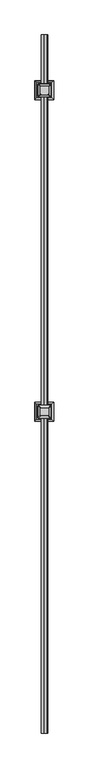
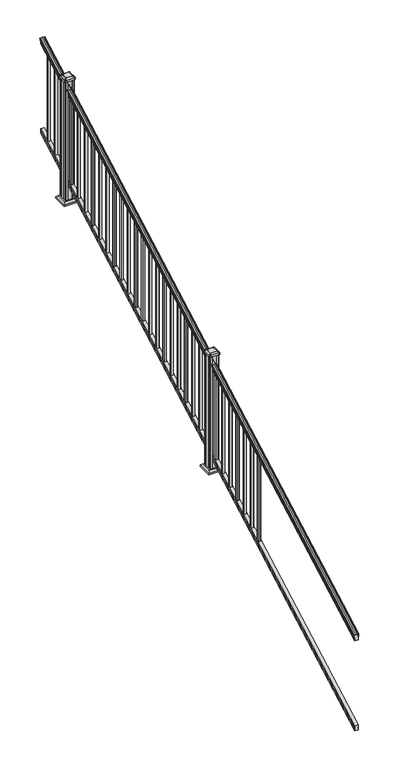
"""IFC4 building model written with IfcOpenShell, lengths in millimetres: railing geometry."""

from ifc_helpers import new_model, si_unit, point, frame, frame_2d, origin, place, context, project, spatial, polyline, circle_curve, ellipse_curve, trimmed, segment, composite_curve, outline, extrude, faceted_brep, source, transform, mapped, element, save
from ifc_brep_helpers import plane_surface, cylinder_surface, revolved_surface, extruded_surface, advanced_brep


def railing_674a30ea(model_context):
    return source(origin(), model_context, "Body", "SolidModel", [
        advanced_brep(
        [(8986.6270946, 1778.9805319, 1111.1933), (8986.6270946, 1778.9805319, 1113.3531886), (8987.7572809, 1778.9805319, 1115.140347), (8987.7572809, 1778.9805319, 1123.3974153), (8987.1080245, 1778.9805319, 1126.1811654), (8989.6080245, 1778.9805319, 1131.1346527), (8991.017367, 1778.9805319, 1133.0560334), (8991.419266, 1778.9805319, 1134.3198045), (8991.4192659, 1778.9805319, 1135.8530343), (8989.8658186, 1778.9805319, 1137.6301141), (8969.1942659, 1778.9805319, 1137.6301141), (8948.5227131, 1778.9805319, 1137.6301141), (8946.9692659, 1778.9805319, 1135.8530343), (8946.9692659, 1778.9805319, 1134.3198045), (8947.3711648, 1778.9805319, 1133.0560334), (8948.7805072, 1778.9805319, 1131.1346527), (8951.2805072, 1778.9805319, 1126.1811654), (8950.6312508, 1778.9805319, 1123.3974153), (8950.6312508, 1778.9805319, 1115.140347), (8951.7614371, 1778.9805319, 1113.3531886), (8951.7614371, 1778.9805319, 1111.1933), (8954.3352659, 1778.9805319, 1111.1933), (8954.3352659, 1778.9805319, 1099.182302), (8953.3192659, 1778.9805319, 1098.0200397), (8953.3192659, 1778.9805319, 1083.7333333), (8985.0692659, 1778.9805319, 1083.7333333), (8985.0692659, 1778.9805319, 1097.8395054), (8984.0532659, 1778.9805319, 1099.0017677), (8984.0532659, 1778.9805319, 1111.1933), (8986.6270946, 6655.7805319, 3820.5266334), (8984.0532659, 6655.7805319, 3820.5266334), (8984.0532659, 6655.7805319, 3808.335101), (8985.0692659, 6655.7805319, 3807.1728388), (8985.0692659, 6655.7805319, 3793.0666667), (8953.3192659, 6655.7805319, 3793.0666667), (8953.3192659, 6655.7805319, 3807.3533731), (8954.3352659, 6655.7805319, 3808.5156353), (8954.3352659, 6655.7805319, 3820.5266334), (8951.7614371, 6655.7805319, 3820.5266334), (8951.7614371, 6655.7805319, 3822.6865219), (8950.6312508, 6655.7805319, 3824.4736803), (8950.6312508, 6655.7805319, 3832.7307486), (8951.2805072, 6655.7805319, 3835.5144987), (8948.7805072, 6655.7805319, 3840.4679861), (8947.3711648, 6655.7805319, 3842.3893668), (8946.9692658, 6655.7805319, 3843.6531378), (8946.9692659, 6655.7805319, 3845.1863676), (8948.5227131, 6655.7805319, 3846.9634474), (8969.1942659, 6655.7805319, 3846.9634474), (8989.8658186, 6655.7805319, 3846.9634474), (8991.4192659, 6655.7805319, 3845.1863676), (8991.4192659, 6655.7805319, 3843.6531378), (8991.017367, 6655.7805319, 3842.3893668), (8989.6080245, 6655.7805319, 3840.4679861), (8987.1080245, 6655.7805319, 3835.5144987), (8987.7572809, 6655.7805319, 3832.7307486), (8987.7572809, 6655.7805319, 3824.4736803), (8986.6270946, 6655.7805319, 3822.6865219)],
        [
            (0, 1),
            (1, 2, ellipse_curve(frame((8980.3123413, 1778.9805319, 1119.9403628), z_axis=(0.0, -1.0, 0.0), x_axis=(0.0, 0.0, -0.9999999999999999)), 9.7762168, 8.545951)),
            (2, 3, ellipse_curve(frame((8980.7494043, 1778.9805319, 1119.2688811), z_axis=(0.0, -1.0, 0.0), x_axis=(0.0, 0.0, -0.9999999999999999)), 9.0173521, 7.882584)),
            (3, 4, ellipse_curve(frame((8991.2627284, 1778.9805319, 1125.9582895), z_axis=(0.0, 1.0, 0.0), x_axis=(0.0, 0.0, 0.9999999999999999)), 4.7580334, 4.1592695)),
            (4, 5, ellipse_curve(frame((8992.550035, 1778.9805319, 1125.8892329), z_axis=(0.0, 1.0, 0.0), x_axis=(0.0, 0.0, 0.9999999999999999)), 6.2322774, 5.4479907)),
            (5, 6, ellipse_curve(frame((8991.3168765, 1778.9805319, 1131.1314345), z_axis=(0.0, 1.0, 0.0), x_axis=(0.0, 0.0, 0.9999999999999999)), 1.9548591, 1.7088543)),
            (6, 7, ellipse_curve(frame((8989.6999764, 1778.9805319, 1134.3198045), z_axis=(0.0, -1.0, 0.0), x_axis=(0.0, 0.0, -0.9999999999999999)), 1.9667965, 1.7192895)),
            (7, 8),
            (8, 9, ellipse_curve(frame((8989.8658186, 1778.9805319, 1135.8530343), z_axis=(0.0, -1.0, 0.0), x_axis=(0.0, 0.0, -0.9999999999999999)), 1.7770798, 1.5534472)),
            (9, 10),
            (10, 11),
            (11, 12, ellipse_curve(frame((8948.5227131, 1778.9805319, 1135.8530343), z_axis=(0.0, -1.0, 0.0), x_axis=(0.0, 0.0, -0.9999999999999999)), 1.7770798, 1.5534472)),
            (12, 13),
            (13, 14, ellipse_curve(frame((8948.6885553, 1778.9805319, 1134.3198045), z_axis=(0.0, -1.0, 0.0), x_axis=(0.0, 0.0, -0.9999999999999999)), 1.9667965, 1.7192895)),
            (14, 15, ellipse_curve(frame((8947.0716552, 1778.9805319, 1131.1314345), z_axis=(0.0, 1.0, 0.0), x_axis=(0.0, 0.0, 0.9999999999999999)), 1.9548591, 1.7088543)),
            (15, 16, ellipse_curve(frame((8945.8384968, 1778.9805319, 1125.8892329), z_axis=(0.0, 1.0, 0.0), x_axis=(0.0, 0.0, 0.9999999999999999)), 6.2322774, 5.4479907)),
            (16, 17, ellipse_curve(frame((8947.1258033, 1778.9805319, 1125.9582895), z_axis=(0.0, 1.0, 0.0), x_axis=(0.0, 0.0, 0.9999999999999999)), 4.7580334, 4.1592695)),
            (17, 18, ellipse_curve(frame((8957.6391275, 1778.9805319, 1119.2688811), z_axis=(0.0, -1.0, 0.0), x_axis=(0.0, 0.0, -0.9999999999999999)), 9.0173521, 7.882584)),
            (18, 19, ellipse_curve(frame((8958.0761904, 1778.9805319, 1119.9403628), z_axis=(0.0, -1.0, 0.0), x_axis=(0.0, 0.0, -0.9999999999999999)), 9.7762168, 8.545951)),
            (19, 20),
            (20, 21, ellipse_curve(frame((8953.0483515, 1778.9805319, 1111.1933), z_axis=(0.0, -1.0, 0.0), x_axis=(0.0, 0.0, -0.9999999999999999)), 1.4721772, 1.2869144)),
            (21, 22),
            (22, 23),
            (23, 24),
            (24, 25),
            (25, 26),
            (26, 27),
            (27, 28),
            (28, 0, ellipse_curve(frame((8985.3401802, 1778.9805319, 1111.1933), z_axis=(0.0, -1.0, 0.0), x_axis=(0.0, 0.0, -0.9999999999999999)), 1.4721772, 1.2869144)),
            (29, 30, ellipse_curve(frame((8985.3401802, 6655.7805319, 3820.5266334), z_axis=(0.0, 1.0, 0.0), x_axis=(0.0, 0.0, -0.9999999999999999)), 1.4721772, 1.2869144)),
            (30, 31),
            (31, 32),
            (32, 33),
            (33, 34),
            (34, 35),
            (35, 36),
            (36, 37),
            (37, 38, ellipse_curve(frame((8953.0483515, 6655.7805319, 3820.5266334), z_axis=(0.0, 1.0, 0.0), x_axis=(0.0, 0.0, -0.9999999999999999)), 1.4721772, 1.2869144)),
            (38, 39),
            (39, 40, ellipse_curve(frame((8958.0761904, 6655.7805319, 3829.2736961), z_axis=(0.0, 1.0, 0.0), x_axis=(0.0, 0.0, -0.9999999999999999)), 9.7762168, 8.545951)),
            (40, 41, ellipse_curve(frame((8957.6391275, 6655.7805319, 3828.6022145), z_axis=(0.0, 1.0, 0.0), x_axis=(0.0, 0.0, -0.9999999999999999)), 9.0173521, 7.882584)),
            (41, 42, ellipse_curve(frame((8947.1258033, 6655.7805319, 3835.2916228), z_axis=(0.0, -1.0, 0.0), x_axis=(0.0, 0.0, 0.9999999999999999)), 4.7580334, 4.1592695)),
            (42, 43, ellipse_curve(frame((8945.8384968, 6655.7805319, 3835.2225663), z_axis=(0.0, -1.0, 0.0), x_axis=(0.0, 0.0, 0.9999999999999999)), 6.2322774, 5.4479907)),
            (43, 44, ellipse_curve(frame((8947.0716552, 6655.7805319, 3840.4647678), z_axis=(0.0, -1.0, 0.0), x_axis=(0.0, 0.0, 0.9999999999999999)), 1.9548591, 1.7088543)),
            (44, 45, ellipse_curve(frame((8948.6885553, 6655.7805319, 3843.6531378), z_axis=(0.0, 1.0, 0.0), x_axis=(0.0, 0.0, -0.9999999999999999)), 1.9667965, 1.7192895)),
            (45, 46),
            (46, 47, ellipse_curve(frame((8948.5227131, 6655.7805319, 3845.1863676), z_axis=(0.0, 1.0, 0.0), x_axis=(0.0, 0.0, -0.9999999999999999)), 1.7770798, 1.5534472)),
            (47, 48),
            (48, 49),
            (49, 50, ellipse_curve(frame((8989.8658186, 6655.7805319, 3845.1863676), z_axis=(0.0, 1.0, 0.0), x_axis=(0.0, 0.0, -0.9999999999999999)), 1.7770798, 1.5534472)),
            (50, 51),
            (51, 52, ellipse_curve(frame((8989.6999764, 6655.7805319, 3843.6531378), z_axis=(0.0, 1.0, 0.0), x_axis=(0.0, 0.0, -0.9999999999999999)), 1.9667965, 1.7192895)),
            (52, 53, ellipse_curve(frame((8991.3168765, 6655.7805319, 3840.4647678), z_axis=(0.0, -1.0, 0.0), x_axis=(0.0, 0.0, 0.9999999999999999)), 1.9548591, 1.7088543)),
            (53, 54, ellipse_curve(frame((8992.550035, 6655.7805319, 3835.2225663), z_axis=(0.0, -1.0, 0.0), x_axis=(0.0, 0.0, 0.9999999999999999)), 6.2322774, 5.4479907)),
            (54, 55, ellipse_curve(frame((8991.2627284, 6655.7805319, 3835.2916228), z_axis=(0.0, -1.0, 0.0), x_axis=(0.0, 0.0, 0.9999999999999999)), 4.7580334, 4.1592695)),
            (55, 56, ellipse_curve(frame((8980.7494043, 6655.7805319, 3828.6022145), z_axis=(0.0, 1.0, 0.0), x_axis=(0.0, 0.0, -0.9999999999999999)), 9.0173521, 7.882584)),
            (56, 57, ellipse_curve(frame((8980.3123413, 6655.7805319, 3829.2736961), z_axis=(0.0, 1.0, 0.0), x_axis=(0.0, 0.0, -0.9999999999999999)), 9.7762168, 8.545951)),
            (57, 29),
            (0, 29),
            (57, 1),
            (56, 2),
            (55, 3),
            (54, 4),
            (53, 5),
            (52, 6),
            (51, 7),
            (50, 8),
            (49, 9),
            (48, 10),
            (47, 11),
            (46, 12),
            (45, 13),
            (44, 14),
            (43, 15),
            (42, 16),
            (41, 17),
            (40, 18),
            (39, 19),
            (38, 20),
            (37, 21),
            (36, 22),
            (35, 23),
            (34, 24),
            (33, 25),
            (32, 26),
            (31, 27),
            (30, 28),
        ],
        [
            plane_surface(frame((8969.1942659, 1778.9805319, 1083.7333333), z_axis=(0.0, -1.0, 0.0), x_axis=(0.0, 0.0, 1.0))),
            plane_surface(frame((8969.1942659, 6655.7805319, 3793.0666667), z_axis=(0.0, 1.0, 0.0), x_axis=(0.0, 0.0, 1.0))),
            plane_surface(frame((8986.6270946, 1778.9805319, 1111.1933), z_axis=(1.0, 0.0, 0.0), x_axis=(0.0, 0.8741572761215701, 0.48564293117857393))),
            cylinder_surface(frame((8980.3123413, 1763.6096232, 1111.4009691), z_axis=(0.0, -0.8741572761215701, -0.48564293117857393), x_axis=(-1.0, 0.0, 0.0)), 8.545951),
            cylinder_surface(frame((8980.7494043, 1763.8946861, 1110.8878557), z_axis=(0.0, -0.8741572761215701, -0.48564293117857393), x_axis=(-1.0, 0.0, 0.0)), 7.882584),
            revolved_surface(polyline([(8987.1034589, 6657.800451744521, 3836.413800479863), (8987.1034589, 1776.9606120792462, 1124.8361117773575)]), (8991.2627284, 1761.054843, 1115.9995734), (0.0, 0.8741572761215701, 0.48564293117857393)),
            revolved_surface(polyline([(8987.1020443, 6658.426310041691, 3836.692443044957), (8987.1020443, 1776.3347537301895, 1124.4193562056596)]), (8992.550035, 1761.0841594, 1115.9468038), (0.0, 0.8741572761215701, 0.48564293117857393)),
            revolved_surface(polyline([(8989.608022199998, 6656.610424923767, 3840.925819457221), (8989.608022199998, 1778.1506389094347, 1130.6703827830177)]), (8991.3168765, 1758.8586965, 1119.952637), (0.0, 0.8741572761215701, 0.48564293117857393)),
            cylinder_surface(frame((8989.6999764, 1757.5051432, 1122.389033), z_axis=(0.0, -0.8741572761215701, -0.48564293117857393), x_axis=(-1.0, 0.0, 0.0)), 1.7192895),
            plane_surface(frame((8991.4192659, 1778.9805319, 1134.3198045), z_axis=(1.0000000000000002, 0.0, 0.0), x_axis=(0.0, 0.8741572761215701, 0.48564293117857404))),
            cylinder_surface(frame((8989.8658186, 1756.8542438, 1123.560652), z_axis=(0.0, -0.8741572761215701, -0.48564293117857393), x_axis=(-1.0, 0.0, 0.0)), 1.5534472),
            plane_surface(frame((8989.8658186, 1778.9805319, 1137.6301141), z_axis=(0.0, -0.48564293117857404, 0.8741572761215701), x_axis=(0.0, 0.8741572761215701, 0.48564293117857404))),
            plane_surface(frame((8969.1942659, 1778.9805319, 1137.6301141), z_axis=(0.0, -0.48564293117857404, 0.8741572761215701), x_axis=(0.0, 0.8741572761215701, 0.48564293117857404))),
            cylinder_surface(frame((8948.5227131, 1756.8542438, 1123.560652), z_axis=(0.0, -0.8741572761215701, -0.48564293117857393), x_axis=(1.0, 0.0, 0.0)), 1.5534472),
            plane_surface(frame((8946.9692659, 1778.9805319, 1135.8530343), z_axis=(-1.0000000000000002, 0.0, 0.0), x_axis=(0.0, 0.8741572761215701, 0.485642931178574))),
            cylinder_surface(frame((8948.6885553, 1757.5051432, 1122.389033), z_axis=(0.0, -0.8741572761215701, -0.48564293117857393), x_axis=(1.0, 0.0, 0.0)), 1.7192895),
            revolved_surface(polyline([(8948.7805095, 6656.610424923767, 3840.925819457221), (8948.7805095, 1778.1506389094347, 1130.6703827830177)]), (8947.0716552, 1758.8586965, 1119.952637), (0.0, 0.8741572761215701, 0.48564293117857393)),
            revolved_surface(polyline([(8951.2864875, 6658.426310041691, 3836.692443044957), (8951.2864875, 1776.3347537301895, 1124.4193562056596)]), (8945.8384968, 1761.0841594, 1115.9468038), (0.0, 0.8741572761215701, 0.48564293117857393)),
            revolved_surface(polyline([(8951.2850728, 6657.800451744521, 3836.413800479863), (8951.2850728, 1776.9606120792462, 1124.8361117773575)]), (8947.1258033, 1761.054843, 1115.9995734), (0.0, 0.8741572761215701, 0.48564293117857393)),
            cylinder_surface(frame((8957.6391275, 1763.8946861, 1110.8878557), z_axis=(0.0, -0.8741572761215701, -0.48564293117857393), x_axis=(1.0, 0.0, 0.0)), 7.882584),
            cylinder_surface(frame((8958.0761904, 1763.6096232, 1111.4009691), z_axis=(0.0, -0.8741572761215701, -0.48564293117857393), x_axis=(1.0, 0.0, 0.0)), 8.545951),
            plane_surface(frame((8951.7614371, 1778.9805319, 1113.3531886), z_axis=(-1.0000000000000002, 0.0, 0.0), x_axis=(0.0, 0.8741572761215701, 0.485642931178574))),
            cylinder_surface(frame((8953.0483515, 1767.3229989, 1104.7168928), z_axis=(0.0, -0.8741572761215701, -0.48564293117857393), x_axis=(1.0, 0.0, 0.0)), 1.2869144),
            plane_surface(frame((8954.3352659, 1778.9805319, 1111.1933), z_axis=(-1.0, 0.0, 0.0), x_axis=(0.0, 0.8741572761215701, 0.48564293117857393))),
            plane_surface(frame((8954.3352659, 1778.9805319, 1099.182302), z_axis=(-0.7071067811865438, -0.3434014098716825, 0.6181225377691273), x_axis=(0.0, 0.8741572761215701, 0.485642931178574))),
            plane_surface(frame((8953.3192659, 1778.9805319, 1098.0200397), z_axis=(-1.0000000000000002, 0.0, 0.0), x_axis=(0.0, 0.8741572761215701, 0.485642931178574))),
            plane_surface(frame((8953.3192659, 1778.9805319, 1083.7333333), z_axis=(0.0, 0.48564293117857393, -0.8741572761215701), x_axis=(0.0, 0.8741572761215701, 0.48564293117857393))),
            plane_surface(frame((8985.0692659, 1778.9805319, 1083.7333333), z_axis=(1.0000000000000002, 0.0, 0.0), x_axis=(0.0, 0.8741572761215701, 0.485642931178574))),
            plane_surface(frame((8985.0692659, 1778.9805319, 1097.8395054), z_axis=(0.7071067811865389, -0.3434014098716865, 0.6181225377691305), x_axis=(0.0, 0.8741572761215701, 0.485642931178574))),
            plane_surface(frame((8984.0532659, 1778.9805319, 1099.0017677), z_axis=(1.0000000000000002, 0.0, 0.0), x_axis=(0.0, 0.8741572761215701, 0.485642931178574))),
            cylinder_surface(frame((8985.3401802, 1767.3229989, 1104.7168928), z_axis=(0.0, -0.8741572761215701, -0.48564293117857393), x_axis=(-1.0, 0.0, 0.0)), 1.2869144),
        ],
        [
            (0, [[1, 2, 3, 4, 5, 6, 7, 8, 9, 10, 11, 12, 13, 14, 15, 16, 17, 18, 19, 20, 21, 22, 23, 24, 25, 26, 27, 28, 29]]),
            (1, [[30, 31, 32, 33, 34, 35, 36, 37, 38, 39, 40, 41, 42, 43, 44, 45, 46, 47, 48, 49, 50, 51, 52, 53, 54, 55, 56, 57, 58]]),
            (2, [[-1, 59, -58, 60]]),
            (3, [[-2, -60, -57, 61]]),
            (4, [[-3, -61, -56, 62]]),
            (5, [[-4, -62, -55, 63]]),
            (6, [[-5, -63, -54, 64]]),
            (7, [[-6, -64, -53, 65]]),
            (8, [[-7, -65, -52, 66]]),
            (9, [[-8, -66, -51, 67]]),
            (10, [[-9, -67, -50, 68]]),
            (11, [[-10, -68, -49, 69]]),
            (12, [[-11, -69, -48, 70]]),
            (13, [[-12, -70, -47, 71]]),
            (14, [[-13, -71, -46, 72]]),
            (15, [[-14, -72, -45, 73]]),
            (16, [[-15, -73, -44, 74]]),
            (17, [[-16, -74, -43, 75]]),
            (18, [[-17, -75, -42, 76]]),
            (19, [[-18, -76, -41, 77]]),
            (20, [[-19, -77, -40, 78]]),
            (21, [[-20, -78, -39, 79]]),
            (22, [[-21, -79, -38, 80]]),
            (23, [[-22, -80, -37, 81]]),
            (24, [[-23, -81, -36, 82]]),
            (25, [[-24, -82, -35, 83]]),
            (26, [[-25, -83, -34, 84]]),
            (27, [[-26, -84, -33, 85]]),
            (28, [[-27, -85, -32, 86]]),
            (29, [[-28, -86, -31, 87]]),
            (30, [[-29, -87, -30, -59]]),
        ],
    ),
        faceted_brep([(8985.1067528, 1778.9805319, 247.1948195), (8984.0907528, 1778.9805319, 248.6824473), (8984.0907528, 1778.9805319, 260.5333506), (8985.1067528, 1778.9805319, 262.0757247), (8985.1067528, 1778.9805319, 276.4134523), (8953.3567528, 1778.9805319, 276.4134523), (8953.3567528, 1778.9805319, 262.0566814), (8954.3727528, 1778.9805319, 260.5143074), (8954.3727528, 1778.9805319, 248.7181503), (8953.3567528, 1778.9805319, 247.1757762), (8953.3567528, 1778.9805319, 232.8333333), (8985.1067528, 1778.9805319, 232.8333333), (8985.1067528, 6655.7805319, 2956.5281528), (8985.1067528, 6655.7805319, 2942.1666667), (8953.3567528, 6655.7805319, 2942.1666667), (8953.3567528, 6655.7805319, 2956.5091096), (8954.3727528, 6655.7805319, 2958.0514837), (8954.3727528, 6655.7805319, 2969.8476407), (8953.3567528, 6655.7805319, 2971.3900148), (8953.3567528, 6655.7805319, 2985.7467856), (8985.1067528, 6655.7805319, 2985.7467856), (8985.1067528, 6655.7805319, 2971.409058), (8984.0907528, 6655.7805319, 2969.8666839), (8984.0907528, 6655.7805319, 2958.0157807)], [[[0, 1, 2, 3, 4, 5, 6, 7, 8, 9, 10, 11]], [[12, 13, 14, 15, 16, 17, 18, 19, 20, 21, 22, 23]], [[1, 0, 12, 23]], [[2, 1, 23, 22]], [[3, 2, 22, 21]], [[4, 3, 21, 20]], [[5, 4, 20, 19]], [[6, 5, 19, 18]], [[7, 6, 18, 17]], [[8, 7, 17, 16]], [[9, 8, 16, 15]], [[10, 9, 15, 14]], [[11, 10, 14, 13]], [[0, 11, 13, 12]]]),
        extrude(outline(polyline([(8978.7192659, 6547.8305319), (8959.6692659, 6547.8305319), (8959.6692659, 6566.8805319), (8978.7192659, 6566.8805319), (8978.7192659, 6547.8305319)]), holes=[polyline([(8978.3223909, 6548.2274069), (8978.3223909, 6566.4836569), (8960.0661409, 6566.4836569), (8960.0661409, 6548.2274069), (8978.3223909, 6548.2274069)])]), frame((0.0, 0.0, 2925.5819892), z_axis=(0.0, 0.0, 1.0), x_axis=(1.0, 0.0, 0.0)), (0.0, 0.0, 1.0), 812.8041219),
        extrude(outline(polyline([(8978.7192659, 6436.7055319), (8959.6692659, 6436.7055319), (8959.6692659, 6455.7555319), (8978.7192659, 6455.7555319), (8978.7192659, 6436.7055319)]), holes=[polyline([(8978.3223909, 6437.1024069), (8978.3223909, 6455.3586569), (8960.0661409, 6455.3586569), (8960.0661409, 6437.1024069), (8978.3223909, 6437.1024069)])]), frame((0.0, 0.0, 2863.8458781), z_axis=(0.0, 0.0, 1.0), x_axis=(1.0, 0.0, 0.0)), (0.0, 0.0, 1.0), 812.8041219),
        extrude(outline(polyline([(8978.7192659, 6325.5805319), (8959.6692659, 6325.5805319), (8959.6692659, 6344.6305319), (8978.7192659, 6344.6305319), (8978.7192659, 6325.5805319)]), holes=[polyline([(8978.3223909, 6325.9774069), (8978.3223909, 6344.2336569), (8960.0661409, 6344.2336569), (8960.0661409, 6325.9774069), (8978.3223909, 6325.9774069)])]), frame((0.0, 0.0, 2802.109767), z_axis=(0.0, 0.0, 1.0), x_axis=(1.0, 0.0, 0.0)), (0.0, 0.0, 1.0), 812.8041219),
        faceted_brep([(9021.7802034, 6215.8445944, 2568.575), (9021.7802034, 6321.0164694, 2568.575), (8916.6083284, 6321.0164694, 2568.575), (8916.6083284, 6215.8445944, 2568.575), (9035.8196565, 6201.8051413, 2555.24), (8902.5688753, 6201.8051413, 2555.24), (8902.5688753, 6335.0559225, 2555.24), (9035.8196565, 6335.0559225, 2555.24)], [[[0, 1, 2, 3]], [[4, 5, 6, 7]], [[4, 0, 3, 5]], [[5, 3, 2, 6]], [[6, 2, 1, 7]], [[7, 1, 0, 4]]]),
        extrude(outline(polyline([(9035.8196565, 6201.8051413), (8902.5688753, 6201.8051413), (8902.5688753, 6335.0559225), (9035.8196565, 6335.0559225), (9035.8196565, 6201.8051413)])), frame((0.0, 0.0, 2540.0), z_axis=(0.0, 0.0, 1.0), x_axis=(1.0, 0.0, 0.0)), (0.0, 0.0, 1.0), 15.24),
        advanced_brep(
        [(8943.3973909, 6239.4586569, 3723.4114852), (8994.9911409, 6239.4586569, 3723.4114852), (8998.1661409, 6242.6336569, 3723.4114852), (8998.1661409, 6294.2274069, 3723.4114852), (8994.9911409, 6297.4024069, 3723.4114852), (8943.3973909, 6297.4024069, 3723.4114852), (8940.2223909, 6294.2274069, 3723.4114852), (8940.2223909, 6242.6336569, 3723.4114852), (8927.1255159, 6223.1867819, 3712.1084852), (8923.9505159, 6226.3617819, 3712.1084852), (8923.9505159, 6310.4992819, 3712.1084852), (8927.1255159, 6313.6742819, 3712.1084852), (9011.2630159, 6313.6742819, 3712.1084852), (9014.4380159, 6310.4992819, 3712.1084852), (9014.4380159, 6226.3617819, 3712.1084852), (9011.2630159, 6223.1867819, 3712.1084852)],
        [
            (0, 1),
            (1, 2, circle_curve(frame((8994.9911409, 6242.6336569, 3723.4114852), z_axis=(0.0, 0.0, 1.0), x_axis=(0.0, 1.0, 0.0)), 3.175)),
            (2, 3),
            (3, 4, circle_curve(frame((8994.9911409, 6294.2274069, 3723.4114852), z_axis=(0.0, 0.0, 1.0), x_axis=(0.0, 1.0, 0.0)), 3.175)),
            (4, 5),
            (5, 6, circle_curve(frame((8943.3973909, 6294.2274069, 3723.4114852), z_axis=(0.0, 0.0, 1.0), x_axis=(0.0, 1.0, 0.0)), 3.175)),
            (6, 7),
            (7, 0, circle_curve(frame((8943.3973909, 6242.6336569, 3723.4114852), z_axis=(0.0, 0.0, 1.0), x_axis=(0.0, 1.0, 0.0)), 3.175)),
            (8, 9, circle_curve(frame((8927.1255159, 6226.3617819, 3712.1084852), z_axis=(0.0, 0.0, -1.0), x_axis=(0.0, 1.0, 0.0)), 3.175)),
            (9, 10),
            (10, 11, circle_curve(frame((8927.1255159, 6310.4992819, 3712.1084852), z_axis=(0.0, 0.0, -1.0), x_axis=(0.0, 1.0, 0.0)), 3.175)),
            (11, 12),
            (12, 13, circle_curve(frame((9011.2630159, 6310.4992819, 3712.1084852), z_axis=(0.0, 0.0, -1.0), x_axis=(0.0, 1.0, 0.0)), 3.175)),
            (13, 14),
            (14, 15, circle_curve(frame((9011.2630159, 6226.3617819, 3712.1084852), z_axis=(0.0, 0.0, -1.0), x_axis=(0.0, 1.0, 0.0)), 3.175)),
            (15, 8),
            (8, 0),
            (7, 9),
            (6, 10),
            (5, 11),
            (4, 12),
            (3, 13),
            (2, 14),
            (1, 15),
        ],
        [
            plane_surface(frame((8969.1942659, 6268.4305319, 3723.4114852), z_axis=(0.0, 0.0, 1.0), x_axis=(-1.0, 0.0, 0.0))),
            plane_surface(frame((8969.1942659, 6268.4305319, 3712.1084852), z_axis=(0.0, 0.0, -1.0), x_axis=(-1.0, 0.0, 0.0))),
            extruded_surface(trimmed(circle_curve(frame((8943.3973909, 6242.6336569, 3723.4114852), z_axis=(0.0, 0.0, -1.0), x_axis=(0.0, 1.0, 0.0)), 3.175), [point((8943.3973909, 6239.4586569, 3723.4114852))], [point((8940.2223909, 6242.6336569, 3723.4114852))], True, "CARTESIAN"), (-16.271875000000364, -16.271874999999454, -11.302999999999884), 25.637972638865996),
            plane_surface(frame((8923.9505159, 6268.4305319, 3712.1084852), z_axis=(-0.5705009161540778, 0.0, 0.8212969649690408), x_axis=(0.0, 1.0, 0.0))),
            extruded_surface(trimmed(circle_curve(frame((8943.3973909, 6294.2274069, 3723.4114852), z_axis=(0.0, 0.0, -1.0), x_axis=(0.0, 1.0, 0.0)), 3.175), [point((8940.2223909, 6294.2274069, 3723.4114852))], [point((8943.3973909, 6297.4024069, 3723.4114852))], True, "CARTESIAN"), (-16.271875000000364, 16.271875000000364, -11.302999999999884), 25.63797263886657),
            plane_surface(frame((8969.1942659, 6313.6742819, 3712.1084852), z_axis=(0.0, 0.5705009161540291, 0.8212969649690747), x_axis=(1.0, 0.0, 0.0))),
            extruded_surface(trimmed(circle_curve(frame((8994.9911409, 6294.2274069, 3723.4114852), z_axis=(0.0, 0.0, -1.0), x_axis=(0.0, 1.0, 0.0)), 3.175), [point((8994.9911409, 6297.4024069, 3723.4114852))], [point((8998.1661409, 6294.2274069, 3723.4114852))], True, "CARTESIAN"), (16.271875000000364, 16.271875000000364, -11.302999999999884), 25.63797263886657),
            plane_surface(frame((9014.4380159, 6268.4305319, 3712.1084852), z_axis=(0.5705009161540142, 0.0, 0.8212969649690851), x_axis=(0.0, -1.0, 0.0))),
            extruded_surface(trimmed(circle_curve(frame((8994.9911409, 6242.6336569, 3723.4114852), z_axis=(0.0, 0.0, -1.0), x_axis=(0.0, 1.0, 0.0)), 3.175), [point((8998.1661409, 6242.6336569, 3723.4114852))], [point((8994.9911409, 6239.4586569, 3723.4114852))], True, "CARTESIAN"), (16.271875000000364, -16.271874999999454, -11.302999999999884), 25.637972638865996),
            plane_surface(frame((8969.1942659, 6223.1867819, 3712.1084852), z_axis=(0.0, -0.570500916154034, 0.8212969649690713), x_axis=(-1.0, 0.0, 0.0))),
        ],
        [
            (0, [[1, 2, 3, 4, 5, 6, 7, 8]]),
            (1, [[9, 10, 11, 12, 13, 14, 15, 16]]),
            (2, [[17, -8, 18, -9]]),
            (3, [[-18, -7, 19, -10]]),
            (4, [[-19, -6, 20, -11]]),
            (5, [[-20, -5, 21, -12]]),
            (6, [[-21, -4, 22, -13]]),
            (7, [[-22, -3, 23, -14]]),
            (8, [[-23, -2, 24, -15]]),
            (9, [[-24, -1, -17, -16]]),
        ],
    ),
        extrude(outline(composite_curve([segment(trimmed(circle_curve(frame_2d((8927.1255159, 6226.3617819)), 3.175), [point((8927.1255159, 6223.1867819))], [point((8923.9505159, 6226.3617819))], False, "CARTESIAN"), True, "CONTINUOUS"), segment(polyline([(8923.9505159, 6226.3617819), (8923.9505159, 6310.4992819)]), True, "CONTINUOUS"), segment(trimmed(circle_curve(frame_2d((8927.1255159, 6310.4992819)), 3.175), [point((8923.9505159, 6310.4992819))], [point((8927.1255159, 6313.6742819))], False, "CARTESIAN"), True, "CONTINUOUS"), segment(polyline([(8927.1255159, 6313.6742819), (9011.2630159, 6313.6742819)]), True, "CONTINUOUS"), segment(trimmed(circle_curve(frame_2d((9011.2630159, 6310.4992819)), 3.175), [point((9011.2630159, 6313.6742819))], [point((9014.4380159, 6310.4992819))], False, "CARTESIAN"), True, "CONTINUOUS"), segment(polyline([(9014.4380159, 6310.4992819), (9014.4380159, 6226.3617819)]), True, "CONTINUOUS"), segment(trimmed(circle_curve(frame_2d((9011.2630159, 6226.3617819)), 3.175), [point((9014.4380159, 6226.3617819))], [point((9011.2630159, 6223.1867819))], False, "CARTESIAN"), True, "CONTINUOUS"), segment(polyline([(9011.2630159, 6223.1867819), (8927.1255159, 6223.1867819)]), True, "CONTINUOUS")], self_intersect=False)), frame((0.0, 0.0, 3694.8364852), z_axis=(0.0, 0.0, 1.0), x_axis=(1.0, 0.0, 0.0)), (0.0, 0.0, 1.0), 17.272),
        extrude(outline(polyline([(8929.5067659, 6227.1555319), (8927.9192659, 6228.7430319), (8927.9192659, 6248.3645319), (8929.5067659, 6249.1265319), (8929.5067659, 6287.7345319), (8927.9192659, 6288.4965319), (8927.9192659, 6308.1180319), (8929.5067659, 6309.7055319), (8949.1282659, 6309.7055319), (8949.8902659, 6308.1180319), (8988.4982659, 6308.1180319), (8989.2602659, 6309.7055319), (9008.8817659, 6309.7055319), (9010.4692659, 6308.1180319), (9010.4692659, 6288.4965319), (9008.8817659, 6287.7345319), (9008.8817659, 6249.1265319), (9010.4692659, 6248.3645319), (9010.4692659, 6228.7430319), (9008.8817659, 6227.1555319), (8989.2602659, 6227.1555319), (8988.4982659, 6228.7430319), (8949.8902659, 6228.7430319), (8949.1282659, 6227.1555319), (8929.5067659, 6227.1555319)])), frame((0.0, 0.0, 2540.0), z_axis=(0.0, 0.0, 1.0), x_axis=(1.0, 0.0, 0.0)), (0.0, 0.0, 1.0), 1154.8364852),
        extrude(outline(polyline([(8978.7192659, 6192.2305319), (8959.6692659, 6192.2305319), (8959.6692659, 6211.2805319), (8978.7192659, 6211.2805319), (8978.7192659, 6192.2305319)]), holes=[polyline([(8978.3223909, 6192.6274069), (8978.3223909, 6210.8836569), (8960.0661409, 6210.8836569), (8960.0661409, 6192.6274069), (8978.3223909, 6192.6274069)])]), frame((0.0, 0.0, 2728.0264336), z_axis=(0.0, 0.0, 1.0), x_axis=(1.0, 0.0, 0.0)), (0.0, 0.0, 1.0), 812.8041219),
        extrude(outline(polyline([(8978.7192659, 6081.1055319), (8959.6692659, 6081.1055319), (8959.6692659, 6100.1555319), (8978.7192659, 6100.1555319), (8978.7192659, 6081.1055319)]), holes=[polyline([(8978.3223909, 6081.5024069), (8978.3223909, 6099.7586569), (8960.0661409, 6099.7586569), (8960.0661409, 6081.5024069), (8978.3223909, 6081.5024069)])]), frame((0.0, 0.0, 2666.2903225), z_axis=(0.0, 0.0, 1.0), x_axis=(1.0, 0.0, 0.0)), (0.0, 0.0, 1.0), 812.8041219),
        extrude(outline(polyline([(8978.7192659, 5969.9805319), (8959.6692659, 5969.9805319), (8959.6692659, 5989.0305319), (8978.7192659, 5989.0305319), (8978.7192659, 5969.9805319)]), holes=[polyline([(8978.3223909, 5970.3774069), (8978.3223909, 5988.6336569), (8960.0661409, 5988.6336569), (8960.0661409, 5970.3774069), (8978.3223909, 5970.3774069)])]), frame((0.0, 0.0, 2604.5542114), z_axis=(0.0, 0.0, 1.0), x_axis=(1.0, 0.0, 0.0)), (0.0, 0.0, 1.0), 812.8041219),
        extrude(outline(polyline([(8978.7192659, 5858.8555319), (8959.6692659, 5858.8555319), (8959.6692659, 5877.9055319), (8978.7192659, 5877.9055319), (8978.7192659, 5858.8555319)]), holes=[polyline([(8978.3223909, 5859.2524069), (8978.3223909, 5877.5086569), (8960.0661409, 5877.5086569), (8960.0661409, 5859.2524069), (8978.3223909, 5859.2524069)])]), frame((0.0, 0.0, 2542.8181003), z_axis=(0.0, 0.0, 1.0), x_axis=(1.0, 0.0, 0.0)), (0.0, 0.0, 1.0), 812.8041219),
        extrude(outline(polyline([(8978.7192659, 5747.7305319), (8959.6692659, 5747.7305319), (8959.6692659, 5766.7805319), (8978.7192659, 5766.7805319), (8978.7192659, 5747.7305319)]), holes=[polyline([(8978.3223909, 5748.1274069), (8978.3223909, 5766.3836569), (8960.0661409, 5766.3836569), (8960.0661409, 5748.1274069), (8978.3223909, 5748.1274069)])]), frame((0.0, 0.0, 2481.0819892), z_axis=(0.0, 0.0, 1.0), x_axis=(1.0, 0.0, 0.0)), (0.0, 0.0, 1.0), 812.8041219),
        extrude(outline(polyline([(8978.7192659, 5636.6055319), (8959.6692659, 5636.6055319), (8959.6692659, 5655.6555319), (8978.7192659, 5655.6555319), (8978.7192659, 5636.6055319)]), holes=[polyline([(8978.3223909, 5637.0024069), (8978.3223909, 5655.2586569), (8960.0661409, 5655.2586569), (8960.0661409, 5637.0024069), (8978.3223909, 5637.0024069)])]), frame((0.0, 0.0, 2419.3458781), z_axis=(0.0, 0.0, 1.0), x_axis=(1.0, 0.0, 0.0)), (0.0, 0.0, 1.0), 812.8041219),
        extrude(outline(polyline([(8978.7192659, 5525.4805319), (8959.6692659, 5525.4805319), (8959.6692659, 5544.5305319), (8978.7192659, 5544.5305319), (8978.7192659, 5525.4805319)]), holes=[polyline([(8978.3223909, 5525.8774069), (8978.3223909, 5544.1336569), (8960.0661409, 5544.1336569), (8960.0661409, 5525.8774069), (8978.3223909, 5525.8774069)])]), frame((0.0, 0.0, 2357.609767), z_axis=(0.0, 0.0, 1.0), x_axis=(1.0, 0.0, 0.0)), (0.0, 0.0, 1.0), 812.8041219),
        extrude(outline(polyline([(8978.7192659, 5414.3555319), (8959.6692659, 5414.3555319), (8959.6692659, 5433.4055319), (8978.7192659, 5433.4055319), (8978.7192659, 5414.3555319)]), holes=[polyline([(8978.3223909, 5414.7524069), (8978.3223909, 5433.0086569), (8960.0661409, 5433.0086569), (8960.0661409, 5414.7524069), (8978.3223909, 5414.7524069)])]), frame((0.0, 0.0, 2295.8736558), z_axis=(0.0, 0.0, 1.0), x_axis=(1.0, 0.0, 0.0)), (0.0, 0.0, 1.0), 812.8041219),
        extrude(outline(polyline([(8978.7192659, 5303.2305319), (8959.6692659, 5303.2305319), (8959.6692659, 5322.2805319), (8978.7192659, 5322.2805319), (8978.7192659, 5303.2305319)]), holes=[polyline([(8978.3223909, 5303.6274069), (8978.3223909, 5321.8836569), (8960.0661409, 5321.8836569), (8960.0661409, 5303.6274069), (8978.3223909, 5303.6274069)])]), frame((0.0, 0.0, 2234.1375447), z_axis=(0.0, 0.0, 1.0), x_axis=(1.0, 0.0, 0.0)), (0.0, 0.0, 1.0), 812.8041219),
        extrude(outline(polyline([(8978.7192659, 5192.1055319), (8959.6692659, 5192.1055319), (8959.6692659, 5211.1555319), (8978.7192659, 5211.1555319), (8978.7192659, 5192.1055319)]), holes=[polyline([(8978.3223909, 5192.5024069), (8978.3223909, 5210.7586569), (8960.0661409, 5210.7586569), (8960.0661409, 5192.5024069), (8978.3223909, 5192.5024069)])]), frame((0.0, 0.0, 2172.4014336), z_axis=(0.0, 0.0, 1.0), x_axis=(1.0, 0.0, 0.0)), (0.0, 0.0, 1.0), 812.8041219),
        extrude(outline(polyline([(8978.7192659, 5080.9805319), (8959.6692659, 5080.9805319), (8959.6692659, 5100.0305319), (8978.7192659, 5100.0305319), (8978.7192659, 5080.9805319)]), holes=[polyline([(8978.3223909, 5081.3774069), (8978.3223909, 5099.6336569), (8960.0661409, 5099.6336569), (8960.0661409, 5081.3774069), (8978.3223909, 5081.3774069)])]), frame((0.0, 0.0, 2110.6653225), z_axis=(0.0, 0.0, 1.0), x_axis=(1.0, 0.0, 0.0)), (0.0, 0.0, 1.0), 812.8041219),
        extrude(outline(polyline([(8978.7192659, 4969.8555319), (8959.6692659, 4969.8555319), (8959.6692659, 4988.9055319), (8978.7192659, 4988.9055319), (8978.7192659, 4969.8555319)]), holes=[polyline([(8978.3223909, 4970.2524069), (8978.3223909, 4988.5086569), (8960.0661409, 4988.5086569), (8960.0661409, 4970.2524069), (8978.3223909, 4970.2524069)])]), frame((0.0, 0.0, 2048.9292114), z_axis=(0.0, 0.0, 1.0), x_axis=(1.0, 0.0, 0.0)), (0.0, 0.0, 1.0), 812.8041219),
        extrude(outline(polyline([(8978.7192659, 4858.7305319), (8959.6692659, 4858.7305319), (8959.6692659, 4877.7805319), (8978.7192659, 4877.7805319), (8978.7192659, 4858.7305319)]), holes=[polyline([(8978.3223909, 4859.1274069), (8978.3223909, 4877.3836569), (8960.0661409, 4877.3836569), (8960.0661409, 4859.1274069), (8978.3223909, 4859.1274069)])]), frame((0.0, 0.0, 1987.1931003), z_axis=(0.0, 0.0, 1.0), x_axis=(1.0, 0.0, 0.0)), (0.0, 0.0, 1.0), 812.8041219),
        extrude(outline(polyline([(8978.7192659, 4747.6055319), (8959.6692659, 4747.6055319), (8959.6692659, 4766.6555319), (8978.7192659, 4766.6555319), (8978.7192659, 4747.6055319)]), holes=[polyline([(8978.3223909, 4748.0024069), (8978.3223909, 4766.2586569), (8960.0661409, 4766.2586569), (8960.0661409, 4748.0024069), (8978.3223909, 4748.0024069)])]), frame((0.0, 0.0, 1925.4569892), z_axis=(0.0, 0.0, 1.0), x_axis=(1.0, 0.0, 0.0)), (0.0, 0.0, 1.0), 812.8041219),
        extrude(outline(polyline([(8978.7192659, 4636.4805319), (8959.6692659, 4636.4805319), (8959.6692659, 4655.5305319), (8978.7192659, 4655.5305319), (8978.7192659, 4636.4805319)]), holes=[polyline([(8978.3223909, 4636.8774069), (8978.3223909, 4655.1336569), (8960.0661409, 4655.1336569), (8960.0661409, 4636.8774069), (8978.3223909, 4636.8774069)])]), frame((0.0, 0.0, 1863.7208781), z_axis=(0.0, 0.0, 1.0), x_axis=(1.0, 0.0, 0.0)), (0.0, 0.0, 1.0), 812.8041219),
        extrude(outline(polyline([(8978.7192659, 4525.3555319), (8959.6692659, 4525.3555319), (8959.6692659, 4544.4055319), (8978.7192659, 4544.4055319), (8978.7192659, 4525.3555319)]), holes=[polyline([(8978.3223909, 4525.7524069), (8978.3223909, 4544.0086569), (8960.0661409, 4544.0086569), (8960.0661409, 4525.7524069), (8978.3223909, 4525.7524069)])]), frame((0.0, 0.0, 1801.984767), z_axis=(0.0, 0.0, 1.0), x_axis=(1.0, 0.0, 0.0)), (0.0, 0.0, 1.0), 812.8041219),
        extrude(outline(polyline([(8978.7192659, 4414.2305319), (8959.6692659, 4414.2305319), (8959.6692659, 4433.2805319), (8978.7192659, 4433.2805319), (8978.7192659, 4414.2305319)]), holes=[polyline([(8978.3223909, 4414.6274069), (8978.3223909, 4432.8836569), (8960.0661409, 4432.8836569), (8960.0661409, 4414.6274069), (8978.3223909, 4414.6274069)])]), frame((0.0, 0.0, 1740.2486558), z_axis=(0.0, 0.0, 1.0), x_axis=(1.0, 0.0, 0.0)), (0.0, 0.0, 1.0), 812.8041219),
        extrude(outline(polyline([(8978.7192659, 4303.1055319), (8959.6692659, 4303.1055319), (8959.6692659, 4322.1555319), (8978.7192659, 4322.1555319), (8978.7192659, 4303.1055319)]), holes=[polyline([(8978.3223909, 4303.5024069), (8978.3223909, 4321.7586569), (8960.0661409, 4321.7586569), (8960.0661409, 4303.5024069), (8978.3223909, 4303.5024069)])]), frame((0.0, 0.0, 1678.5125447), z_axis=(0.0, 0.0, 1.0), x_axis=(1.0, 0.0, 0.0)), (0.0, 0.0, 1.0), 812.8041219),
        extrude(outline(polyline([(8978.7192659, 4191.9805319), (8959.6692659, 4191.9805319), (8959.6692659, 4211.0305319), (8978.7192659, 4211.0305319), (8978.7192659, 4191.9805319)]), holes=[polyline([(8978.3223909, 4192.3774069), (8978.3223909, 4210.6336569), (8960.0661409, 4210.6336569), (8960.0661409, 4192.3774069), (8978.3223909, 4192.3774069)])]), frame((0.0, 0.0, 1616.7764336), z_axis=(0.0, 0.0, 1.0), x_axis=(1.0, 0.0, 0.0)), (0.0, 0.0, 1.0), 812.8041219),
        extrude(outline(polyline([(8978.7192659, 4080.8555319), (8959.6692659, 4080.8555319), (8959.6692659, 4099.9055319), (8978.7192659, 4099.9055319), (8978.7192659, 4080.8555319)]), holes=[polyline([(8978.3223909, 4081.2524069), (8978.3223909, 4099.5086569), (8960.0661409, 4099.5086569), (8960.0661409, 4081.2524069), (8978.3223909, 4081.2524069)])]), frame((0.0, 0.0, 1555.0403225), z_axis=(0.0, 0.0, 1.0), x_axis=(1.0, 0.0, 0.0)), (0.0, 0.0, 1.0), 812.8041219),
        faceted_brep([(9021.7802034, 3971.1195944, 1383.2416667), (9021.7802034, 4076.2914694, 1383.2416667), (8916.6083284, 4076.2914694, 1383.2416667), (8916.6083284, 3971.1195944, 1383.2416667), (9035.8196565, 3957.0801413, 1369.9066667), (8902.5688753, 3957.0801413, 1369.9066667), (8902.5688753, 4090.3309225, 1369.9066667), (9035.8196565, 4090.3309225, 1369.9066667)], [[[0, 1, 2, 3]], [[4, 5, 6, 7]], [[4, 0, 3, 5]], [[5, 3, 2, 6]], [[6, 2, 1, 7]], [[7, 1, 0, 4]]]),
        extrude(outline(polyline([(9035.8196565, 3957.0801413), (8902.5688753, 3957.0801413), (8902.5688753, 4090.3309225), (9035.8196565, 4090.3309225), (9035.8196565, 3957.0801413)])), frame((0.0, 0.0, 1354.6666667), z_axis=(0.0, 0.0, 1.0), x_axis=(1.0, 0.0, 0.0)), (0.0, 0.0, 1.0), 15.24),
        advanced_brep(
        [(8943.3973909, 3994.7336569, 2476.3420408), (8994.9911409, 3994.7336569, 2476.3420408), (8998.1661409, 3997.9086569, 2476.3420408), (8998.1661409, 4049.5024069, 2476.3420408), (8994.9911409, 4052.6774069, 2476.3420408), (8943.3973909, 4052.6774069, 2476.3420408), (8940.2223909, 4049.5024069, 2476.3420408), (8940.2223909, 3997.9086569, 2476.3420408), (8927.1255159, 3978.4617819, 2465.0390408), (8923.9505159, 3981.6367819, 2465.0390408), (8923.9505159, 4065.7742819, 2465.0390408), (8927.1255159, 4068.9492819, 2465.0390408), (9011.2630159, 4068.9492819, 2465.0390408), (9014.4380159, 4065.7742819, 2465.0390408), (9014.4380159, 3981.6367819, 2465.0390408), (9011.2630159, 3978.4617819, 2465.0390408)],
        [
            (0, 1),
            (1, 2, circle_curve(frame((8994.9911409, 3997.9086569, 2476.3420408), z_axis=(0.0, 0.0, 1.0), x_axis=(0.0, 1.0, 0.0)), 3.175)),
            (2, 3),
            (3, 4, circle_curve(frame((8994.9911409, 4049.5024069, 2476.3420408), z_axis=(0.0, 0.0, 1.0), x_axis=(0.0, 1.0, 0.0)), 3.175)),
            (4, 5),
            (5, 6, circle_curve(frame((8943.3973909, 4049.5024069, 2476.3420408), z_axis=(0.0, 0.0, 1.0), x_axis=(0.0, 1.0, 0.0)), 3.175)),
            (6, 7),
            (7, 0, circle_curve(frame((8943.3973909, 3997.9086569, 2476.3420408), z_axis=(0.0, 0.0, 1.0), x_axis=(0.0, 1.0, 0.0)), 3.175)),
            (8, 9, circle_curve(frame((8927.1255159, 3981.6367819, 2465.0390408), z_axis=(0.0, 0.0, -1.0), x_axis=(0.0, 1.0, 0.0)), 3.175)),
            (9, 10),
            (10, 11, circle_curve(frame((8927.1255159, 4065.7742819, 2465.0390408), z_axis=(0.0, 0.0, -1.0), x_axis=(0.0, 1.0, 0.0)), 3.175)),
            (11, 12),
            (12, 13, circle_curve(frame((9011.2630159, 4065.7742819, 2465.0390408), z_axis=(0.0, 0.0, -1.0), x_axis=(0.0, 1.0, 0.0)), 3.175)),
            (13, 14),
            (14, 15, circle_curve(frame((9011.2630159, 3981.6367819, 2465.0390408), z_axis=(0.0, 0.0, -1.0), x_axis=(0.0, 1.0, 0.0)), 3.175)),
            (15, 8),
            (8, 0),
            (7, 9),
            (6, 10),
            (5, 11),
            (4, 12),
            (3, 13),
            (2, 14),
            (1, 15),
        ],
        [
            plane_surface(frame((8969.1942659, 4023.7055319, 2476.3420408), z_axis=(0.0, 0.0, 1.0), x_axis=(-1.0, 0.0, 0.0))),
            plane_surface(frame((8969.1942659, 4023.7055319, 2465.0390408), z_axis=(0.0, 0.0, -1.0), x_axis=(-1.0, 0.0, 0.0))),
            extruded_surface(trimmed(circle_curve(frame((8943.3973909, 3997.9086569, 2476.3420408), z_axis=(0.0, 0.0, -1.0), x_axis=(0.0, 1.0, 0.0)), 3.175), [point((8943.3973909, 3994.7336569, 2476.3420408))], [point((8940.2223909, 3997.9086569, 2476.3420408))], True, "CARTESIAN"), (-16.271875000000364, -16.27187499999991, -11.303000000000338), 25.637972638866486),
            plane_surface(frame((8923.9505159, 4023.7055319, 2465.0390408), z_axis=(-0.5705009161540778, 0.0, 0.8212969649690408), x_axis=(0.0, 1.0, 0.0))),
            extruded_surface(trimmed(circle_curve(frame((8943.3973909, 4049.5024069, 2476.3420408), z_axis=(0.0, 0.0, -1.0), x_axis=(0.0, 1.0, 0.0)), 3.175), [point((8940.2223909, 4049.5024069, 2476.3420408))], [point((8943.3973909, 4052.6774069, 2476.3420408))], True, "CARTESIAN"), (-16.271875000000364, 16.27187499999991, -11.303000000000338), 25.637972638866486),
            plane_surface(frame((8969.1942659, 4068.9492819, 2465.0390408), z_axis=(0.0, 0.5705009161540291, 0.8212969649690747), x_axis=(1.0, 0.0, 0.0))),
            extruded_surface(trimmed(circle_curve(frame((8994.9911409, 4049.5024069, 2476.3420408), z_axis=(0.0, 0.0, -1.0), x_axis=(0.0, 1.0, 0.0)), 3.175), [point((8994.9911409, 4052.6774069, 2476.3420408))], [point((8998.1661409, 4049.5024069, 2476.3420408))], True, "CARTESIAN"), (16.271875000000364, 16.27187499999991, -11.303000000000338), 25.637972638866486),
            plane_surface(frame((9014.4380159, 4023.7055319, 2465.0390408), z_axis=(0.5705009161540142, 0.0, 0.8212969649690851), x_axis=(0.0, -1.0, 0.0))),
            extruded_surface(trimmed(circle_curve(frame((8994.9911409, 3997.9086569, 2476.3420408), z_axis=(0.0, 0.0, -1.0), x_axis=(0.0, 1.0, 0.0)), 3.175), [point((8998.1661409, 3997.9086569, 2476.3420408))], [point((8994.9911409, 3994.7336569, 2476.3420408))], True, "CARTESIAN"), (16.271875000000364, -16.27187499999991, -11.303000000000338), 25.637972638866486),
            plane_surface(frame((8969.1942659, 3978.4617819, 2465.0390408), z_axis=(0.0, -0.570500916154034, 0.8212969649690713), x_axis=(-1.0, 0.0, 0.0))),
        ],
        [
            (0, [[1, 2, 3, 4, 5, 6, 7, 8]]),
            (1, [[9, 10, 11, 12, 13, 14, 15, 16]]),
            (2, [[17, -8, 18, -9]]),
            (3, [[-18, -7, 19, -10]]),
            (4, [[-19, -6, 20, -11]]),
            (5, [[-20, -5, 21, -12]]),
            (6, [[-21, -4, 22, -13]]),
            (7, [[-22, -3, 23, -14]]),
            (8, [[-23, -2, 24, -15]]),
            (9, [[-24, -1, -17, -16]]),
        ],
    ),
        extrude(outline(composite_curve([segment(trimmed(circle_curve(frame_2d((8927.1255159, 3981.6367819)), 3.175), [point((8927.1255159, 3978.4617819))], [point((8923.9505159, 3981.6367819))], False, "CARTESIAN"), True, "CONTINUOUS"), segment(polyline([(8923.9505159, 3981.6367819), (8923.9505159, 4065.7742819)]), True, "CONTINUOUS"), segment(trimmed(circle_curve(frame_2d((8927.1255159, 4065.7742819)), 3.175), [point((8923.9505159, 4065.7742819))], [point((8927.1255159, 4068.9492819))], False, "CARTESIAN"), True, "CONTINUOUS"), segment(polyline([(8927.1255159, 4068.9492819), (9011.2630159, 4068.9492819)]), True, "CONTINUOUS"), segment(trimmed(circle_curve(frame_2d((9011.2630159, 4065.7742819)), 3.175), [point((9011.2630159, 4068.9492819))], [point((9014.4380159, 4065.7742819))], False, "CARTESIAN"), True, "CONTINUOUS"), segment(polyline([(9014.4380159, 4065.7742819), (9014.4380159, 3981.6367819)]), True, "CONTINUOUS"), segment(trimmed(circle_curve(frame_2d((9011.2630159, 3981.6367819)), 3.175), [point((9014.4380159, 3981.6367819))], [point((9011.2630159, 3978.4617819))], False, "CARTESIAN"), True, "CONTINUOUS"), segment(polyline([(9011.2630159, 3978.4617819), (8927.1255159, 3978.4617819)]), True, "CONTINUOUS")], self_intersect=False)), frame((0.0, 0.0, 2447.7670408), z_axis=(0.0, 0.0, 1.0), x_axis=(1.0, 0.0, 0.0)), (0.0, 0.0, 1.0), 17.272),
        extrude(outline(polyline([(8929.5067659, 3982.4305319), (8927.9192659, 3984.0180319), (8927.9192659, 4003.6395319), (8929.5067659, 4004.4015319), (8929.5067659, 4043.0095319), (8927.9192659, 4043.7715319), (8927.9192659, 4063.3930319), (8929.5067659, 4064.9805319), (8949.1282659, 4064.9805319), (8949.8902659, 4063.3930319), (8988.4982659, 4063.3930319), (8989.2602659, 4064.9805319), (9008.8817659, 4064.9805319), (9010.4692659, 4063.3930319), (9010.4692659, 4043.7715319), (9008.8817659, 4043.0095319), (9008.8817659, 4004.4015319), (9010.4692659, 4003.6395319), (9010.4692659, 3984.0180319), (9008.8817659, 3982.4305319), (8989.2602659, 3982.4305319), (8988.4982659, 3984.0180319), (8949.8902659, 3984.0180319), (8949.1282659, 3982.4305319), (8929.5067659, 3982.4305319)])), frame((0.0, 0.0, 1354.6666667), z_axis=(0.0, 0.0, 1.0), x_axis=(1.0, 0.0, 0.0)), (0.0, 0.0, 1.0), 1093.1003741),
        extrude(outline(polyline([(8978.7192659, 3947.5055319), (8959.6692659, 3947.5055319), (8959.6692659, 3966.5555319), (8978.7192659, 3966.5555319), (8978.7192659, 3947.5055319)]), holes=[polyline([(8978.3223909, 3947.9024069), (8978.3223909, 3966.1586569), (8960.0661409, 3966.1586569), (8960.0661409, 3947.9024069), (8978.3223909, 3947.9024069)])]), frame((0.0, 0.0, 1480.9569892), z_axis=(0.0, 0.0, 1.0), x_axis=(1.0, 0.0, 0.0)), (0.0, 0.0, 1.0), 812.8041219),
        extrude(outline(polyline([(8978.7192659, 3836.3805319), (8959.6692659, 3836.3805319), (8959.6692659, 3855.4305319), (8978.7192659, 3855.4305319), (8978.7192659, 3836.3805319)]), holes=[polyline([(8978.3223909, 3836.7774069), (8978.3223909, 3855.0336569), (8960.0661409, 3855.0336569), (8960.0661409, 3836.7774069), (8978.3223909, 3836.7774069)])]), frame((0.0, 0.0, 1419.2208781), z_axis=(0.0, 0.0, 1.0), x_axis=(1.0, 0.0, 0.0)), (0.0, 0.0, 1.0), 812.8041219),
        extrude(outline(polyline([(8978.7192659, 3725.2555319), (8959.6692659, 3725.2555319), (8959.6692659, 3744.3055319), (8978.7192659, 3744.3055319), (8978.7192659, 3725.2555319)]), holes=[polyline([(8978.3223909, 3725.6524069), (8978.3223909, 3743.9086569), (8960.0661409, 3743.9086569), (8960.0661409, 3725.6524069), (8978.3223909, 3725.6524069)])]), frame((0.0, 0.0, 1357.484767), z_axis=(0.0, 0.0, 1.0), x_axis=(1.0, 0.0, 0.0)), (0.0, 0.0, 1.0), 812.8041219),
        extrude(outline(polyline([(8978.7192659, 3614.1305319), (8959.6692659, 3614.1305319), (8959.6692659, 3633.1805319), (8978.7192659, 3633.1805319), (8978.7192659, 3614.1305319)]), holes=[polyline([(8978.3223909, 3614.5274069), (8978.3223909, 3632.7836569), (8960.0661409, 3632.7836569), (8960.0661409, 3614.5274069), (8978.3223909, 3614.5274069)])]), frame((0.0, 0.0, 1295.7486558), z_axis=(0.0, 0.0, 1.0), x_axis=(1.0, 0.0, 0.0)), (0.0, 0.0, 1.0), 812.8041219),
        extrude(outline(polyline([(8978.7192659, 3503.0055319), (8959.6692659, 3503.0055319), (8959.6692659, 3522.0555319), (8978.7192659, 3522.0555319), (8978.7192659, 3503.0055319)]), holes=[polyline([(8978.3223909, 3503.4024069), (8978.3223909, 3521.6586569), (8960.0661409, 3521.6586569), (8960.0661409, 3503.4024069), (8978.3223909, 3503.4024069)])]), frame((0.0, 0.0, 1234.0125447), z_axis=(0.0, 0.0, 1.0), x_axis=(1.0, 0.0, 0.0)), (0.0, 0.0, 1.0), 812.8041219),
        extrude(outline(polyline([(8978.7192659, 3391.8805319), (8959.6692659, 3391.8805319), (8959.6692659, 3410.9305319), (8978.7192659, 3410.9305319), (8978.7192659, 3391.8805319)]), holes=[polyline([(8978.3223909, 3392.2774069), (8978.3223909, 3410.5336569), (8960.0661409, 3410.5336569), (8960.0661409, 3392.2774069), (8978.3223909, 3392.2774069)])]), frame((0.0, 0.0, 1172.2764336), z_axis=(0.0, 0.0, 1.0), x_axis=(1.0, 0.0, 0.0)), (0.0, 0.0, 1.0), 812.8041219),
        extrude(outline(polyline([(8978.7192659, 3280.7555319), (8959.6692659, 3280.7555319), (8959.6692659, 3299.8055319), (8978.7192659, 3299.8055319), (8978.7192659, 3280.7555319)]), holes=[polyline([(8978.3223909, 3281.1524069), (8978.3223909, 3299.4086569), (8960.0661409, 3299.4086569), (8960.0661409, 3281.1524069), (8978.3223909, 3281.1524069)])]), frame((0.0, 0.0, 1110.5403225), z_axis=(0.0, 0.0, 1.0), x_axis=(1.0, 0.0, 0.0)), (0.0, 0.0, 1.0), 812.8041219),
    ])


if __name__ == "__main__":
    model = new_model("IFC4")
    model_context = context("Model", 3, world=origin())
    ifc_project = project(units=[si_unit("LENGTHUNIT", "METRE", prefix="MILLI")], contexts=[model_context])
    site = spatial("IfcSite", under=ifc_project)
    building = spatial("IfcBuilding", under=site)
    placement = place(None, origin())
    railing_shape = railing_674a30ea(model_context)
    element("IfcRailing", 1, at=placement, inside=building, context=model_context, shape_type="MappedRepresentation", body=[
        mapped(railing_shape, transform((0.0, 0.0, 0.0), x_axis=(1.0, 0.0, 0.0), y_axis=(0.0, 1.0, 0.0), z_axis=(0.0, 0.0, 1.0))),
    ])
    save(model, "model.ifc")
